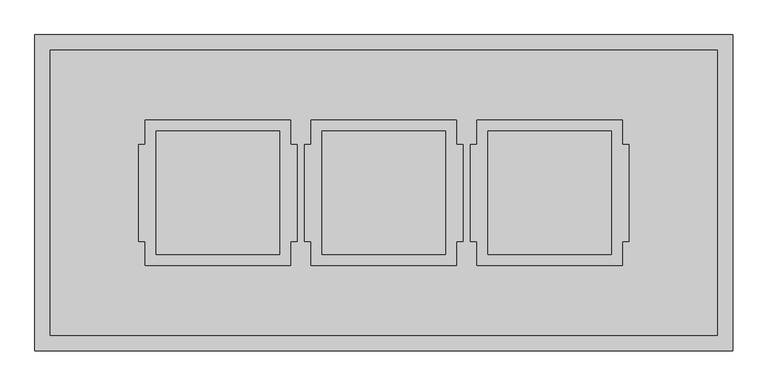
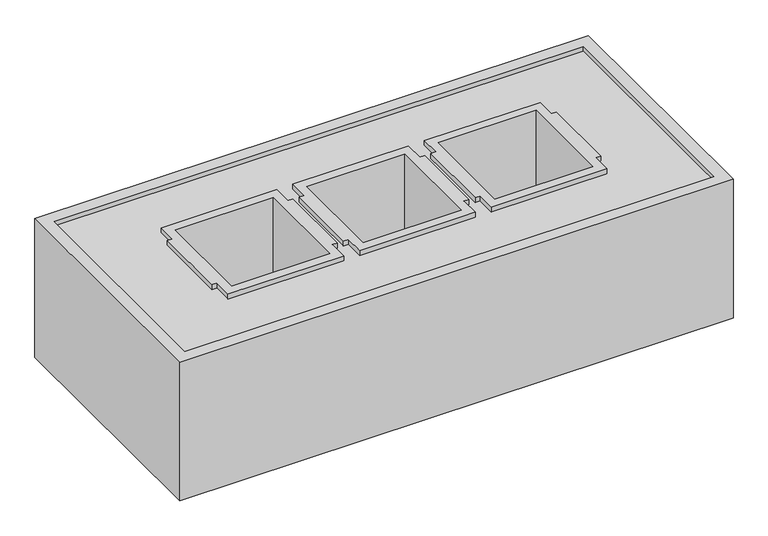
"""IFC4 building model written with IfcOpenShell, lengths in millimetres: furniture geometry."""

from ifc_helpers import new_model, si_unit, frame, origin, place, context, project, spatial, polyline, outline, extrude, faceted_brep, source, transform, mapped, element, save


def furniture_a8d88ebd(model_context):
    return source(origin(), model_context, "Body", "SolidModel", [
        extrude(outline(polyline([(978.0, -22.0), (978.0, -431.0), (22.0, -431.0), (22.0, -22.0), (978.0, -22.0)]), holes=[polyline([(832.8, -131.5), (642.8, -131.5), (642.8, -321.5), (832.8, -321.5), (832.8, -131.5)]), polyline([(595.0, -321.5), (595.0, -131.5), (405.0, -131.5), (405.0, -321.5), (595.0, -321.5)]), polyline([(167.2, -131.5), (167.2, -321.5), (357.2, -321.5), (357.2, -131.5), (167.2, -131.5)])]), frame((0.0, 0.0, 1255.1), z_axis=(0.0, 0.0, 1.0), x_axis=(1.0, 0.0, 0.0)), (0.0, 0.0, 1.0), 1.4),
        faceted_brep([(148.8, -157.1, 1266.5), (148.8, -295.9, 1266.5), (157.8, -295.9, 1266.5), (157.8, -330.9, 1266.5), (366.6, -330.9, 1266.5), (366.6, -295.9, 1266.5), (375.6, -295.9, 1266.5), (375.6, -157.1, 1266.5), (366.6, -157.1, 1266.5), (366.6, -122.1, 1266.5), (157.8, -122.1, 1266.5), (157.8, -157.1, 1266.5), (350.85, -137.85, 1266.5), (350.85, -315.15, 1266.5), (173.55, -315.15, 1266.5), (173.55, -137.85, 1266.5), (148.8, -157.1, 1256.5), (157.8, -157.1, 1256.5), (157.8, -122.1, 1256.5), (366.6, -122.1, 1256.5), (366.6, -157.1, 1256.5), (375.6, -157.1, 1256.5), (375.6, -295.9, 1256.5), (366.6, -295.9, 1256.5), (366.6, -330.9, 1256.5), (157.8, -330.9, 1256.5), (157.8, -295.9, 1256.5), (148.8, -295.9, 1256.5), (357.2, -131.5, 1256.5), (167.2, -131.5, 1256.5), (167.2, -321.5, 1256.5), (357.2, -321.5, 1256.5), (350.85, -137.85, 1004.75), (350.85, -315.15, 1004.75), (173.55, -315.15, 1004.75), (173.55, -137.85, 1004.75), (357.2, -131.5, 1002.75), (357.2, -321.5, 1002.75), (167.2, -321.5, 1002.75), (167.2, -131.5, 1002.75)], [[[0, 1, 2, 3, 4, 5, 6, 7, 8, 9, 10, 11], [12, 13, 14, 15]], [[16, 17, 18, 19, 20, 21, 22, 23, 24, 25, 26, 27], [28, 29, 30, 31]], [[1, 0, 16, 27]], [[2, 1, 27, 26]], [[3, 2, 26, 25]], [[4, 3, 25, 24]], [[5, 4, 24, 23]], [[6, 5, 23, 22]], [[7, 6, 22, 21]], [[8, 7, 21, 20]], [[9, 8, 20, 19]], [[10, 9, 19, 18]], [[11, 10, 18, 17]], [[0, 11, 17, 16]], [[13, 12, 32, 33]], [[14, 13, 33, 34]], [[15, 14, 34, 35]], [[12, 15, 35, 32]], [[36, 37, 38, 39]], [[36, 39, 29, 28]], [[39, 38, 30, 29]], [[38, 37, 31, 30]], [[37, 36, 28, 31]], [[33, 32, 35, 34]]]),
        faceted_brep([(386.6, -157.1, 1266.5), (386.6, -295.9, 1266.5), (395.6, -295.9, 1266.5), (395.6, -330.9, 1266.5), (604.4, -330.9, 1266.5), (604.4, -295.9, 1266.5), (613.4, -295.9, 1266.5), (613.4, -157.1, 1266.5), (604.4, -157.1, 1266.5), (604.4, -122.1, 1266.5), (395.6, -122.1, 1266.5), (395.6, -157.1, 1266.5), (588.65, -137.85, 1266.5), (588.65, -315.15, 1266.5), (411.35, -315.15, 1266.5), (411.35, -137.85, 1266.5), (386.6, -157.1, 1256.5), (395.6, -157.1, 1256.5), (395.6, -122.1, 1256.5), (604.4, -122.1, 1256.5), (604.4, -157.1, 1256.5), (613.4, -157.1, 1256.5), (613.4, -295.9, 1256.5), (604.4, -295.9, 1256.5), (604.4, -330.9, 1256.5), (395.6, -330.9, 1256.5), (395.6, -295.9, 1256.5), (386.6, -295.9, 1256.5), (595.0, -131.5, 1256.5), (405.0, -131.5, 1256.5), (405.0, -321.5, 1256.5), (595.0, -321.5, 1256.5), (588.65, -137.85, 1004.75), (588.65, -315.15, 1004.75), (411.35, -315.15, 1004.75), (411.35, -137.85, 1004.75), (595.0, -131.5, 1002.75), (595.0, -321.5, 1002.75), (405.0, -321.5, 1002.75), (405.0, -131.5, 1002.75)], [[[0, 1, 2, 3, 4, 5, 6, 7, 8, 9, 10, 11], [12, 13, 14, 15]], [[16, 17, 18, 19, 20, 21, 22, 23, 24, 25, 26, 27], [28, 29, 30, 31]], [[1, 0, 16, 27]], [[2, 1, 27, 26]], [[3, 2, 26, 25]], [[4, 3, 25, 24]], [[5, 4, 24, 23]], [[6, 5, 23, 22]], [[7, 6, 22, 21]], [[8, 7, 21, 20]], [[9, 8, 20, 19]], [[10, 9, 19, 18]], [[11, 10, 18, 17]], [[0, 11, 17, 16]], [[13, 12, 32, 33]], [[14, 13, 33, 34]], [[15, 14, 34, 35]], [[12, 15, 35, 32]], [[36, 37, 38, 39]], [[36, 39, 29, 28]], [[39, 38, 30, 29]], [[38, 37, 31, 30]], [[37, 36, 28, 31]], [[33, 32, 35, 34]]]),
        faceted_brep([(624.4, -157.1, 1266.5), (624.4, -295.9, 1266.5), (633.4, -295.9, 1266.5), (633.4, -330.9, 1266.5), (842.2, -330.9, 1266.5), (842.2, -295.9, 1266.5), (851.2, -295.9, 1266.5), (851.2, -157.1, 1266.5), (842.2, -157.1, 1266.5), (842.2, -122.1, 1266.5), (633.4, -122.1, 1266.5), (633.4, -157.1, 1266.5), (826.45, -137.85, 1266.5), (826.45, -315.15, 1266.5), (649.15, -315.15, 1266.5), (649.15, -137.85, 1266.5), (624.4, -157.1, 1256.5), (633.4, -157.1, 1256.5), (633.4, -122.1, 1256.5), (842.2, -122.1, 1256.5), (842.2, -157.1, 1256.5), (851.2, -157.1, 1256.5), (851.2, -295.9, 1256.5), (842.2, -295.9, 1256.5), (842.2, -330.9, 1256.5), (633.4, -330.9, 1256.5), (633.4, -295.9, 1256.5), (624.4, -295.9, 1256.5), (832.8, -131.5, 1256.5), (642.8, -131.5, 1256.5), (642.8, -321.5, 1256.5), (832.8, -321.5, 1256.5), (826.45, -137.85, 1004.75), (826.45, -315.15, 1004.75), (649.15, -315.15, 1004.75), (649.15, -137.85, 1004.75), (832.8, -131.5, 1002.75), (832.8, -321.5, 1002.75), (642.8, -321.5, 1002.75), (642.8, -131.5, 1002.75)], [[[0, 1, 2, 3, 4, 5, 6, 7, 8, 9, 10, 11], [12, 13, 14, 15]], [[16, 17, 18, 19, 20, 21, 22, 23, 24, 25, 26, 27], [28, 29, 30, 31]], [[1, 0, 16, 27]], [[2, 1, 27, 26]], [[3, 2, 26, 25]], [[4, 3, 25, 24]], [[5, 4, 24, 23]], [[6, 5, 23, 22]], [[7, 6, 22, 21]], [[8, 7, 21, 20]], [[9, 8, 20, 19]], [[10, 9, 19, 18]], [[11, 10, 18, 17]], [[0, 11, 17, 16]], [[13, 12, 32, 33]], [[14, 13, 33, 34]], [[15, 14, 34, 35]], [[12, 15, 35, 32]], [[36, 37, 38, 39]], [[36, 39, 29, 28]], [[39, 38, 30, 29]], [[38, 37, 31, 30]], [[37, 36, 28, 31]], [[33, 32, 35, 34]]]),
        extrude(outline(polyline([(0.0, -453.0), (0.0, 0.0), (1000.0, 0.0), (1000.0, -453.0), (0.0, -453.0)]), holes=[polyline([(978.0, -431.0), (978.0, -22.0), (22.0, -22.0), (22.0, -431.0), (978.0, -431.0)])]), frame((0.0, 0.0, 1000.0), z_axis=(0.0, 0.0, 1.0), x_axis=(1.0, 0.0, 0.0)), (0.0, 0.0, 1.0), 265.0),
    ])


if __name__ == "__main__":
    model = new_model("IFC4")
    model_context = context("Model", 3, world=origin())
    ifc_project = project(units=[si_unit("LENGTHUNIT", "METRE", prefix="MILLI")], contexts=[model_context])
    site = spatial("IfcSite", under=ifc_project)
    building = spatial("IfcBuilding", under=site)
    placement = place(None, origin())
    furniture_shape = furniture_a8d88ebd(model_context)
    element("IfcFurniture", 1, at=placement, inside=building, context=model_context, shape_type="MappedRepresentation", body=[
        mapped(furniture_shape, transform((0.0, 0.0, 0.0), x_axis=(1.0, 0.0, 0.0), y_axis=(0.0, 1.0, 0.0), z_axis=(0.0, 0.0, 1.0))),
    ])
    save(model, "model.ifc")
